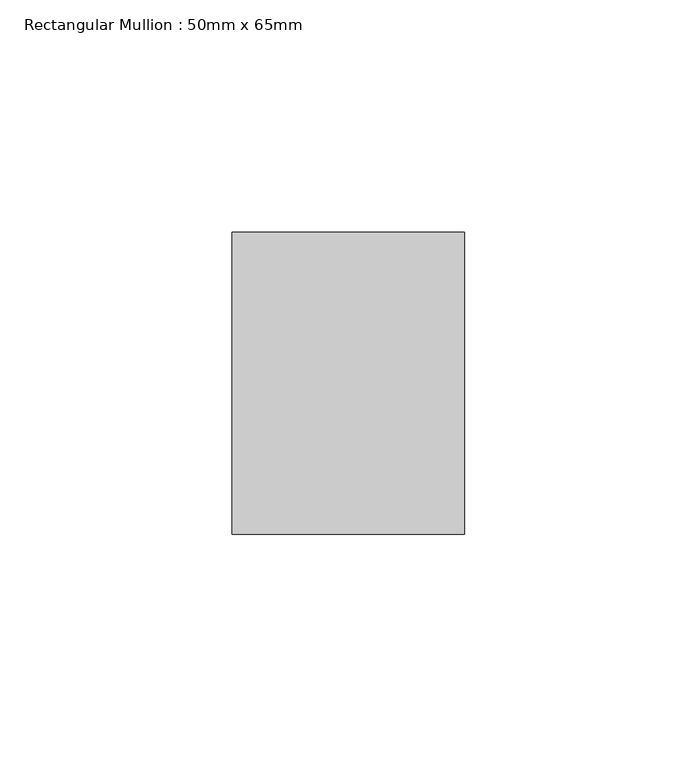
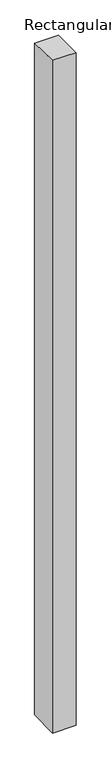
"""IFC4 building model written with IfcOpenShell, lengths in millimetres: member geometry, Rectangular Mullion : 50mm x 65mm."""

import ifcopenshell
import ifcopenshell.guid

model = None  # the IFC model being written
_history = None  # IfcOwnerHistory: only IFC2X3 demands one
_inside = {}  # id of a spatial element -> (the spatial element, [elements in it])
_under = {}  # id of a project, library or spatial element -> (it, [spatial elements below it])
_declared = {}  # id of a project -> (the project, [libraries it declares])
_typed = {}  # id of a type object -> (the type object, [elements of that type])
_made_of = {}  # id of a material, layer set ... -> (it, [elements and type objects made of it])


def new_model(schema):
    """Start an empty IFC model of exactly this schema.

    Asked for "IFC4X3", IfcOpenShell would pick the latest addendum, in which some entities
    have other attributes; the version numbers below select the first issue.
    IFC2X3 requires an IfcOwnerHistory on every rooted entity: one is made here for all.
    """
    global model, _history
    if schema == "IFC4X3":
        model = ifcopenshell.file(schema_version=(4, 3, 0, 0))
    else:
        model = ifcopenshell.file(schema=schema)
    _inside.clear()
    _under.clear()
    _declared.clear()
    _typed.clear()
    _made_of.clear()
    _history = None
    if model.schema == "IFC2X3":
        org = make("IfcOrganization", Name="unknown")
        user = make(
            "IfcPersonAndOrganization",
            ThePerson=make("IfcPerson", FamilyName="unknown"),
            TheOrganization=org,
        )
        app = make(
            "IfcApplication",
            ApplicationDeveloper=org,
            Version="unknown",
            ApplicationFullName="unknown",
            ApplicationIdentifier="unknown",
        )
        _history = make(
            "IfcOwnerHistory",
            OwningUser=user,
            OwningApplication=app,
            ChangeAction="ADDED",
            CreationDate=0,
        )
    return model


def make(cls, **values):
    """One entity of the class cls with the attributes given. An attribute that is None is left unset."""
    return model.create_entity(
        cls, **{name: value for name, value in values.items() if value is not None}
    )


def rooted(cls, **values):
    """An entity with a GlobalId (a new one), such as an element, a storey or a relation."""
    return make(cls, GlobalId=ifcopenshell.guid.new(), OwnerHistory=_history, **values)


def si_unit(unit_type, name, prefix=None):
    """IfcSIUnit, for example si_unit("LENGTHUNIT", "METRE", prefix="MILLI")."""
    return make("IfcSIUnit", UnitType=unit_type, Prefix=prefix, Name=name)


def assignment(units):
    """IfcUnitAssignment: the units of a project."""
    return None if units is None else make("IfcUnitAssignment", Units=units)


def point(xyz):
    """IfcCartesianPoint."""
    return None if xyz is None else make("IfcCartesianPoint", Coordinates=xyz)


def direction(xyz):
    """IfcDirection."""
    return None if xyz is None else make("IfcDirection", DirectionRatios=xyz)


def frame(location, z_axis=None, x_axis=None):
    """IfcAxis2Placement3D, a coordinate frame: its origin and axes. An axis left out is left unset."""
    return make(
        "IfcAxis2Placement3D",
        Location=point(location),
        Axis=direction(z_axis),
        RefDirection=direction(x_axis),
    )


def origin():
    """The frame at (0, 0, 0) with its axes left unset."""
    return frame((0.0, 0.0, 0.0))


def place(relative_to, where):
    """IfcLocalPlacement: puts the frame where relative to a parent placement (None: the world)."""
    return make(
        "IfcLocalPlacement", PlacementRelTo=relative_to, RelativePlacement=where
    )


def context(
    kind, dimensions, precision=None, world=None, true_north=None, identifier=None
):
    """IfcGeometricRepresentationContext, for example the 3D "Model" context."""
    return make(
        "IfcGeometricRepresentationContext",
        ContextIdentifier=identifier,
        ContextType=kind,
        CoordinateSpaceDimension=dimensions,
        Precision=precision,
        WorldCoordinateSystem=world,
        TrueNorth=true_north,
    )


def project(units=None, contexts=None):
    """IfcProject with its units and contexts."""
    return rooted(
        "IfcProject",
        Name="project",
        RepresentationContexts=contexts,
        UnitsInContext=assignment(units),
    )


def spatial(cls, under=None, at=None, **own):
    """A site, building, storey or space (cls), placed at a placement, below another one or the project."""
    s = rooted(cls, ObjectPlacement=at, **own)
    if under is not None:
        _under.setdefault(under.id(), (under, []))[1].append(s)
    return s


def faces_of(points, faces, orient=None, outer=None):
    """IfcFace entities. A face is a list of loops; a loop is a list of indices into points, from 0.

    orient and outer hold one flag for each loop. By default every Orientation is true, the
    first loop of a face is its IfcFaceOuterBound and the others are IfcFaceBound.
    """
    made = []
    for i, loops in enumerate(faces):
        bounds = []
        for j, loop in enumerate(loops):
            is_outer = j == 0 if outer is None else outer[i][j]
            bounds.append(
                make(
                    "IfcFaceOuterBound" if is_outer else "IfcFaceBound",
                    Bound=make("IfcPolyLoop", Polygon=[points[k] for k in loop]),
                    Orientation=True if orient is None else orient[i][j],
                )
            )
        made.append(make("IfcFace", Bounds=bounds))
    return made


def faceted_brep(points, faces, orient=None, outer=None, voids=None):
    """IfcFacetedBrep: a solid bounded by flat faces; with voids (closed shells), ...WithVoids."""
    shared = [point(p) for p in points]
    hull = make("IfcClosedShell", CfsFaces=faces_of(shared, faces, orient, outer))
    if voids is None:
        return make("IfcFacetedBrep", Outer=hull)
    return make(
        "IfcFacetedBrepWithVoids",
        Outer=hull,
        Voids=[
            make(cls, CfsFaces=faces_of(shared, fs, o, b)) for cls, fs, o, b in voids
        ],
    )


def shape(context_of_items, identifier, shape_type, items):
    """IfcShapeRepresentation: the items that make up one representation, for example the "Body"."""
    return make(
        "IfcShapeRepresentation",
        ContextOfItems=context_of_items,
        RepresentationIdentifier=identifier,
        RepresentationType=shape_type,
        Items=items,
    )


def source(mapping_origin, context_of_items, identifier, shape_type, items):
    """IfcRepresentationMap: a shape defined once, which mapped items show again and again."""
    return make(
        "IfcRepresentationMap",
        MappingOrigin=mapping_origin,
        MappedRepresentation=shape(context_of_items, identifier, shape_type, items),
    )


def transform(
    local_origin,
    x_axis=None,
    y_axis=None,
    z_axis=None,
    scale=None,
    scale2=None,
    scale3=None,
    uniform=True,
):
    """IfcCartesianTransformationOperator3D, or its non-uniform kind. x_axis, y_axis, z_axis: its Axis1, 2, 3."""
    if uniform:
        return make(
            "IfcCartesianTransformationOperator3D",
            Axis1=direction(x_axis),
            Axis2=direction(y_axis),
            LocalOrigin=point(local_origin),
            Scale=scale,
            Axis3=direction(z_axis),
        )
    return make(
        "IfcCartesianTransformationOperator3DnonUniform",
        Axis1=direction(x_axis),
        Axis2=direction(y_axis),
        LocalOrigin=point(local_origin),
        Scale=scale,
        Axis3=direction(z_axis),
        Scale2=scale2,
        Scale3=scale3,
    )


def mapped(mapping_source, mapping_target):
    """IfcMappedItem: shows the shape of a source again, moved by a transform."""
    return make(
        "IfcMappedItem", MappingSource=mapping_source, MappingTarget=mapping_target
    )


def made_of(thing, what):
    """Note that an element or type object is made of a material, layer set ...; save() writes the relation."""
    if what is not None:
        _made_of.setdefault(what.id(), (what, []))[1].append(thing)
    return thing


def element(
    cls,
    number,
    at=None,
    inside=None,
    cuts=None,
    type_object=None,
    material=None,
    context=None,
    identifier="Body",
    shape_type=None,
    held_by="IfcProductDefinitionShape",
    body=None,
    shapes=None,
    **own,
):
    """One element of the class cls, such as IfcWall. Its Tag is "e" and its number.

    at: its placement. inside: the storey or other place that contains it. cuts: it is an
    opening in that element (IfcRelVoidsElement). A single representation is given by context,
    identifier, shape_type and body (its items); several are given by shapes. held_by: the class
    of the entity that holds the representations. save() writes the other relations.
    """
    e = rooted(cls, Tag="e%d" % number, ObjectPlacement=at, **own)
    if body is not None:
        shapes = [shape(context, identifier, shape_type, body)]
    if shapes is not None:
        e.Representation = make(held_by, Representations=shapes)
    if inside is not None:
        _inside.setdefault(inside.id(), (inside, []))[1].append(e)
    if cuts is not None:
        rooted(
            "IfcRelVoidsElement", RelatingBuildingElement=cuts, RelatedOpeningElement=e
        )
    if type_object is not None:
        _typed.setdefault(type_object.id(), (type_object, []))[1].append(e)
    return made_of(e, material)


def aggregate(whole, parts):
    """IfcRelAggregates: a whole, such as a stair, and the parts it consists of."""
    return rooted("IfcRelAggregates", RelatingObject=whole, RelatedObjects=parts)


def save(model, path):
    """Write the relations noted so far, then the file.

    IfcRelAggregates (storeys below a building ...), IfcRelContainedInSpatialStructure (elements
    in a storey), IfcRelDefinesByType, IfcRelAssociatesMaterial and IfcRelDeclares: one each for
    every whole, place, type object, material and project.
    """
    for whole, parts in _under.values():
        aggregate(whole, parts)
    for where, things in _inside.values():
        rooted(
            "IfcRelContainedInSpatialStructure",
            RelatedElements=things,
            RelatingStructure=where,
        )
    for kind, things in _typed.values():
        rooted("IfcRelDefinesByType", RelatedObjects=things, RelatingType=kind)
    for what, things in _made_of.values():
        rooted("IfcRelAssociatesMaterial", RelatedObjects=things, RelatingMaterial=what)
    for by, libraries in _declared.values():
        rooted("IfcRelDeclares", RelatingContext=by, RelatedDefinitions=libraries)
    model.write(path)


def rectangular_mullion_50mm_x_65mm_972a0711(model_context):
    return source(origin(), model_context, "Body", "Brep", [
        faceted_brep([(-25.0, 32.5, -0.451816), (25.0, 32.5, -0.4518143), (25.0, 32.5, -1499.4313659), (-25.0, 32.5, -1499.4313637), (-25.0, -32.5, 0.4518143), (-25.0, -32.5, -1500.5680041), (25.0, -32.5, 0.451816), (25.0, -32.5, -1500.5680062)], [[[0, 1, 2, 3]], [[4, 0, 3, 5]], [[6, 4, 5, 7]], [[1, 6, 7, 2]], [[1, 0, 4, 6]], [[2, 7, 5, 3]]]),
    ])


if __name__ == "__main__":
    model = new_model("IFC4")
    model_context = context("Model", 3, world=origin())
    ifc_project = project(units=[si_unit("LENGTHUNIT", "METRE", prefix="MILLI")], contexts=[model_context])
    site = spatial("IfcSite", under=ifc_project)
    building = spatial("IfcBuilding", under=site)
    placement = place(None, origin())
    rectangular_mullion_50mm_x_65mm_shape = rectangular_mullion_50mm_x_65mm_972a0711(model_context)
    element("IfcMember", 1, ObjectType="Rectangular Mullion : 50mm x 65mm", at=placement, inside=building, context=model_context, shape_type="MappedRepresentation", body=[
        mapped(rectangular_mullion_50mm_x_65mm_shape, transform((0.0, 0.0, 0.0), x_axis=(1.0, 0.0, 0.0), y_axis=(0.0, 1.0, 0.0), z_axis=(0.0, 0.0, 1.0))),
    ])
    save(model, "model.ifc")
